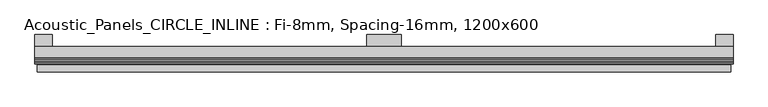
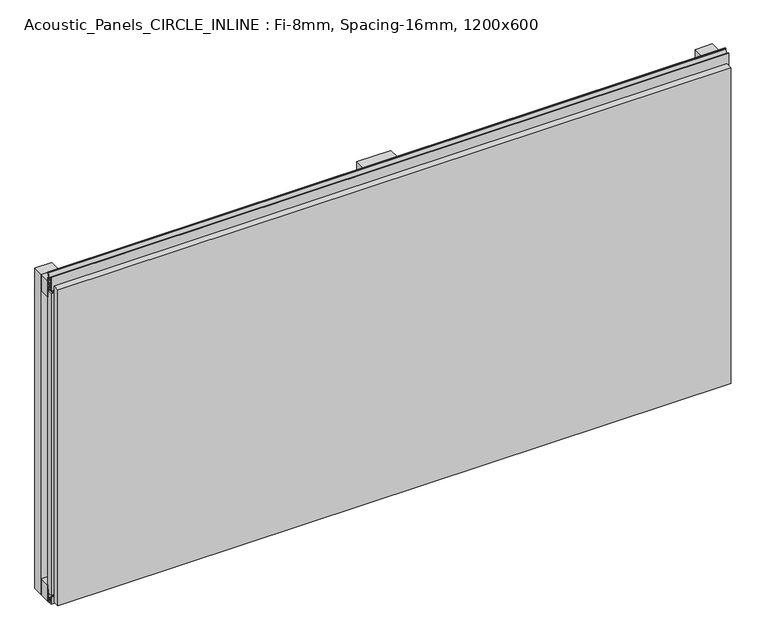
"""IFC4 building model written with IfcOpenShell, lengths in millimetres: plate geometry, Acoustic_Panels_CIRCLE_INLINE : Fi-8mm, Spacing-16mm, 1200x600."""

from ifc_helpers import new_model, si_unit, frame, origin, origin_with_axes, place, context, project, spatial, polyline, outline, extrude, faceted_brep, source, transform, mapped, element, save


def acoustic_panels_circle_inline_fi_8mm_spacing_16mm_1200x600_d7774ad4(model_context):
    return source(origin(), model_context, "Body", "SolidModel", [
        extrude(outline(polyline([(-600.0, -40.0), (-600.0, -20.0), (600.0, -20.0), (600.0, -40.0), (-600.0, -40.0)])), frame((0.0, 0.0, 570.0), z_axis=(0.0, 0.0, 1.0), x_axis=(1.0, 0.0, 0.0)), (0.0, 0.0, 1.0), 30.0),
        extrude(outline(polyline([(-600.0, -40.0), (-600.0, -20.0), (600.0, -20.0), (600.0, -40.0), (-600.0, -40.0)])), origin_with_axes(), (0.0, 0.0, 1.0), 30.0),
        extrude(outline(polyline([(570.0, 0.0), (600.0, 0.0), (600.0, -20.0), (570.0, -20.0), (570.0, 0.0)])), origin_with_axes(), (0.0, 0.0, 1.0), 600.0),
        extrude(outline(polyline([(30.0, 0.0), (30.0, -20.0), (-30.0, -20.0), (-30.0, 0.0), (30.0, 0.0)])), origin_with_axes(), (0.0, 0.0, 1.0), 600.0),
        extrude(outline(polyline([(-570.0, 0.0), (-570.0, -20.0), (-600.0, -20.0), (-600.0, 0.0), (-570.0, 0.0)])), origin_with_axes(), (0.0, 0.0, 1.0), 600.0),
        extrude(outline(polyline([(-40.0, 6.299084), (-40.0, 0.0), (-50.1, 0.0), (-50.1, 13.4156807), (-48.7, 13.4156807), (-48.7, 1.4156807), (-41.4, 1.4156807), (-41.4, 4.899084), (-45.5140545, 4.899084), (-41.4553267, 15.5703394), (-41.4553267, 22.991548), (-40.0553267, 22.991548), (-40.0553267, 15.3558599), (-43.5, 6.299084), (-40.0, 6.299084)])), frame((-600.0, 0.0, 0.0), z_axis=(1.0, 0.0, 0.0), x_axis=(0.0, 1.0, 0.0)), (0.0, 0.0, 1.0), 1200.0),
        extrude(outline(polyline([(-593.700916, -40.0), (-593.700916, -43.5), (-584.6441401, -40.0553267), (-577.008452, -40.0553267), (-577.008452, -41.4553267), (-584.4296606, -41.4553267), (-595.100916, -45.5140545), (-595.100916, -41.4), (-598.5843193, -41.4), (-598.5843193, -48.7), (-586.5843193, -48.7), (-586.5843193, -50.1), (-600.0, -50.1), (-600.0, -40.0), (-593.700916, -40.0)])), frame((0.0, 0.0, 16.9558599), z_axis=(0.0, 0.0, 1.0), x_axis=(1.0, 0.0, 0.0)), (0.0, 0.0, 1.0), 566.0882802),
        extrude(outline(polyline([(593.700916, -40.0), (600.0, -40.0), (600.0, -50.1), (586.5843193, -50.1), (586.5843193, -48.7), (598.5843193, -48.7), (598.5843193, -41.4), (595.100916, -41.4), (595.100916, -45.5140545), (584.4296606, -41.4553267), (577.008452, -41.4553267), (577.008452, -40.0553267), (584.6441401, -40.0553267), (593.700916, -43.5), (593.700916, -40.0)])), frame((0.0, 0.0, 16.9558599), z_axis=(0.0, 0.0, 1.0), x_axis=(1.0, 0.0, 0.0)), (0.0, 0.0, 1.0), 566.0882802),
        extrude(outline(polyline([(-48.7, 600.899084), (-41.4, 600.899084), (-41.4, 604.899084), (-45.5140545, 604.899084), (-41.4553267, 615.5703394), (-41.4553267, 616.9558599), (-40.0553267, 616.9558599), (-40.0553267, 615.3558599), (-43.5, 606.299084), (-40.0, 606.299084), (-40.0, 593.700916), (-43.5, 593.700916), (-40.0553267, 584.6441401), (-40.0553267, 583.0441401), (-41.4553267, 583.0441401), (-41.4553267, 584.4296606), (-45.5140545, 595.100916), (-41.4, 595.100916), (-41.4, 599.100916), (-48.7, 599.100916), (-48.7, 587.100916), (-50.1, 587.100916), (-50.1, 612.899084), (-48.7, 612.899084), (-48.7, 600.899084)])), frame((-600.0, 0.0, 0.0), z_axis=(1.0, 0.0, 0.0), x_axis=(0.0, 1.0, 0.0)), (0.0, 0.0, 1.0), 1200.0),
        faceted_brep([(596.0, -45.9, 596.0), (-596.0, -45.9, 596.0), (-596.0, -48.7, 596.0), (596.0, -48.7, 596.0), (-596.0, -63.9, 596.0), (596.0, -63.9, 596.0), (596.0, -51.9, 596.0), (-596.0, -51.9, 596.0), (-596.0, -45.9, 4.0), (596.0, -45.9, 4.0), (596.0, -48.7, 4.0), (-596.0, -48.7, 4.0), (596.0, -63.9, 4.0), (-596.0, -63.9, 4.0), (-596.0, -51.9, 4.0), (596.0, -51.9, 4.0), (584.0, -51.9, 584.0), (584.0, -51.9, 16.0), (584.0, -48.7, 16.0), (584.0, -48.7, 584.0), (-584.0, -51.9, 16.0), (-584.0, -48.7, 16.0), (-584.0, -51.9, 584.0), (-584.0, -48.7, 584.0)], [[[0, 1, 2, 3]], [[4, 5, 6, 7]], [[8, 9, 10, 11]], [[12, 13, 14, 15]], [[1, 0, 9, 8]], [[1, 8, 11, 2]], [[13, 4, 7, 14]], [[5, 4, 13, 12]], [[9, 0, 3, 10]], [[5, 12, 15, 6]], [[16, 17, 18, 19]], [[18, 17, 20, 21]], [[21, 20, 22, 23]], [[16, 19, 23, 22]], [[7, 6, 15, 14], [17, 16, 22, 20]], [[3, 2, 11, 10], [19, 18, 21, 23]]]),
    ])


if __name__ == "__main__":
    model = new_model("IFC4")
    model_context = context("Model", 3, world=origin())
    ifc_project = project(units=[si_unit("LENGTHUNIT", "METRE", prefix="MILLI")], contexts=[model_context])
    site = spatial("IfcSite", under=ifc_project)
    building = spatial("IfcBuilding", under=site)
    placement = place(None, origin())
    acoustic_panels_circle_inline_fi_8mm_spacing_16mm_1200x600_shape = acoustic_panels_circle_inline_fi_8mm_spacing_16mm_1200x600_d7774ad4(model_context)
    element("IfcPlate", 1, ObjectType="Acoustic_Panels_CIRCLE_INLINE : Fi-8mm, Spacing-16mm, 1200x600", at=placement, inside=building, context=model_context, shape_type="MappedRepresentation", body=[
        mapped(acoustic_panels_circle_inline_fi_8mm_spacing_16mm_1200x600_shape, transform((0.0, 0.0, 0.0), x_axis=(1.0, 0.0, 0.0), y_axis=(0.0, 1.0, 0.0), z_axis=(0.0, 0.0, 1.0))),
    ])
    save(model, "model.ifc")
